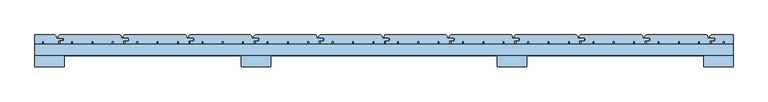
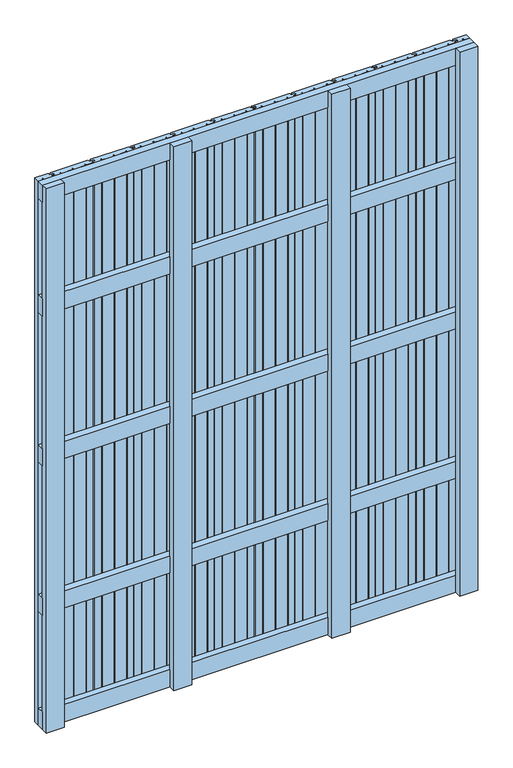
"""IFC4 building model written with IfcOpenShell, lengths in millimetres: window geometry."""

from ifc_helpers import new_model, si_unit, frame, origin, place, context, project, spatial, polyline, outline, extrude, source, transform, mapped, element, save


def window_f4db7b17(model_context):
    return source(origin(), model_context, "Body", "SweptSolid", [
        extrude(outline(polyline([(750.0, 148.0), (750.0, 124.0), (-750.0, 124.0), (-750.0, 148.0), (750.0, 148.0)])), frame((0.0, 0.0, 1618.5), z_axis=(0.0, 0.0, 1.0), x_axis=(1.0, 0.0, 0.0)), (0.0, 0.0, 1.0), 63.0),
        extrude(outline(polyline([(750.0, 148.0), (750.0, 124.0), (-750.0, 124.0), (-750.0, 148.0), (750.0, 148.0)])), frame((0.0, 0.0, 1068.5), z_axis=(0.0, 0.0, 1.0), x_axis=(1.0, 0.0, 0.0)), (0.0, 0.0, 1.0), 63.0),
        extrude(outline(polyline([(750.0, 148.0), (750.0, 124.0), (-750.0, 124.0), (-750.0, 148.0), (750.0, 148.0)])), frame((0.0, 0.0, 518.5), z_axis=(0.0, 0.0, 1.0), x_axis=(1.0, 0.0, 0.0)), (0.0, 0.0, 1.0), 63.0),
        extrude(outline(polyline([(750.0, 148.0), (750.0, 124.0), (-750.0, 124.0), (-750.0, 148.0), (750.0, 148.0)])), frame((0.0, 0.0, 2037.0), z_axis=(0.0, 0.0, 1.0), x_axis=(1.0, 0.0, 0.0)), (0.0, 0.0, 1.0), 63.0),
        extrude(outline(polyline([(750.0, 148.0), (750.0, 124.0), (-750.0, 124.0), (-750.0, 148.0), (750.0, 148.0)])), frame((0.0, 0.0, 100.0), z_axis=(0.0, 0.0, 1.0), x_axis=(1.0, 0.0, 0.0)), (0.0, 0.0, 1.0), 63.0),
        extrude(outline(polyline([(-697.0, 168.0), (-567.0, 168.0), (-564.0, 165.0), (-564.0, 161.0), (-550.0, 161.0), (-550.0, 155.0), (-560.0, 155.0), (-560.0, 148.0), (-581.1278597, 148.0), (-581.1278597, 154.0), (-584.6278597, 154.0), (-584.6278597, 148.0), (-624.6889298, 148.0), (-624.6889298, 154.0), (-628.1889298, 154.0), (-628.1889298, 148.0), (-668.25, 148.0), (-668.25, 154.0), (-671.75, 154.0), (-671.75, 148.0), (-696.0, 148.0), (-696.0, 155.0), (-688.0, 155.0), (-688.0, 161.0), (-700.0, 161.0), (-700.0, 165.0), (-697.0, 168.0)])), frame((0.0, 0.0, 100.0), z_axis=(0.0, 0.0, 1.0), x_axis=(1.0, 0.0, 0.0)), (0.0, 0.0, 1.0), 2000.0),
        extrude(outline(polyline([(-557.0, 168.0), (-427.0, 168.0), (-424.0, 165.0), (-424.0, 161.0), (-410.0, 161.0), (-410.0, 155.0), (-420.0, 155.0), (-420.0, 148.0), (-441.1278597, 148.0), (-441.1278597, 154.0), (-444.6278597, 154.0), (-444.6278597, 148.0), (-484.6889298, 148.0), (-484.6889298, 154.0), (-488.1889298, 154.0), (-488.1889298, 148.0), (-528.25, 148.0), (-528.25, 154.0), (-531.75, 154.0), (-531.75, 148.0), (-556.0, 148.0), (-556.0, 155.0), (-548.0, 155.0), (-548.0, 161.0), (-560.0, 161.0), (-560.0, 165.0), (-557.0, 168.0)])), frame((0.0, 0.0, 100.0), z_axis=(0.0, 0.0, 1.0), x_axis=(1.0, 0.0, 0.0)), (0.0, 0.0, 1.0), 2000.0),
        extrude(outline(polyline([(-417.0, 168.0), (-287.0, 168.0), (-284.0, 165.0), (-284.0, 161.0), (-270.0, 161.0), (-270.0, 155.0), (-280.0, 155.0), (-280.0, 148.0), (-301.1278597, 148.0), (-301.1278597, 154.0), (-304.6278597, 154.0), (-304.6278597, 148.0), (-344.6889298, 148.0), (-344.6889298, 154.0), (-348.1889298, 154.0), (-348.1889298, 148.0), (-388.25, 148.0), (-388.25, 154.0), (-391.75, 154.0), (-391.75, 148.0), (-416.0, 148.0), (-416.0, 155.0), (-408.0, 155.0), (-408.0, 161.0), (-420.0, 161.0), (-420.0, 165.0), (-417.0, 168.0)])), frame((0.0, 0.0, 100.0), z_axis=(0.0, 0.0, 1.0), x_axis=(1.0, 0.0, 0.0)), (0.0, 0.0, 1.0), 2000.0),
        extrude(outline(polyline([(-277.0, 168.0), (-147.0, 168.0), (-144.0, 165.0), (-144.0, 161.0), (-130.0, 161.0), (-130.0, 155.0), (-140.0, 155.0), (-140.0, 148.0), (-161.1278597, 148.0), (-161.1278597, 154.0), (-164.6278597, 154.0), (-164.6278597, 148.0), (-204.6889298, 148.0), (-204.6889298, 154.0), (-208.1889298, 154.0), (-208.1889298, 148.0), (-248.25, 148.0), (-248.25, 154.0), (-251.75, 154.0), (-251.75, 148.0), (-276.0, 148.0), (-276.0, 155.0), (-268.0, 155.0), (-268.0, 161.0), (-280.0, 161.0), (-280.0, 165.0), (-277.0, 168.0)])), frame((0.0, 0.0, 100.0), z_axis=(0.0, 0.0, 1.0), x_axis=(1.0, 0.0, 0.0)), (0.0, 0.0, 1.0), 2000.0),
        extrude(outline(polyline([(-137.0, 168.0), (-7.0, 168.0), (-4.0, 165.0), (-4.0, 161.0), (10.0, 161.0), (10.0, 155.0), (0.0, 155.0), (0.0, 148.0), (-21.1278597, 148.0), (-21.1278597, 154.0), (-24.6278597, 154.0), (-24.6278597, 148.0), (-64.6889298, 148.0), (-64.6889298, 154.0), (-68.1889298, 154.0), (-68.1889298, 148.0), (-108.25, 148.0), (-108.25, 154.0), (-111.75, 154.0), (-111.75, 148.0), (-136.0, 148.0), (-136.0, 155.0), (-128.0, 155.0), (-128.0, 161.0), (-140.0, 161.0), (-140.0, 165.0), (-137.0, 168.0)])), frame((0.0, 0.0, 100.0), z_axis=(0.0, 0.0, 1.0), x_axis=(1.0, 0.0, 0.0)), (0.0, 0.0, 1.0), 2000.0),
        extrude(outline(polyline([(3.0, 168.0), (133.0, 168.0), (136.0, 165.0), (136.0, 161.0), (150.0, 161.0), (150.0, 155.0), (140.0, 155.0), (140.0, 148.0), (118.8721403, 148.0), (118.8721403, 154.0), (115.3721403, 154.0), (115.3721403, 148.0), (75.3110702, 148.0), (75.3110702, 154.0), (71.8110702, 154.0), (71.8110702, 148.0), (31.75, 148.0), (31.75, 154.0), (28.25, 154.0), (28.25, 148.0), (4.0, 148.0), (4.0, 155.0), (12.0, 155.0), (12.0, 161.0), (0.0, 161.0), (0.0, 165.0), (3.0, 168.0)])), frame((0.0, 0.0, 100.0), z_axis=(0.0, 0.0, 1.0), x_axis=(1.0, 0.0, 0.0)), (0.0, 0.0, 1.0), 2000.0),
        extrude(outline(polyline([(143.0, 168.0), (273.0, 168.0), (276.0, 165.0), (276.0, 161.0), (290.0, 161.0), (290.0, 155.0), (280.0, 155.0), (280.0, 148.0), (258.8721403, 148.0), (258.8721403, 154.0), (255.3721403, 154.0), (255.3721403, 148.0), (215.3110702, 148.0), (215.3110702, 154.0), (211.8110702, 154.0), (211.8110702, 148.0), (171.75, 148.0), (171.75, 154.0), (168.25, 154.0), (168.25, 148.0), (144.0, 148.0), (144.0, 155.0), (152.0, 155.0), (152.0, 161.0), (140.0, 161.0), (140.0, 165.0), (143.0, 168.0)])), frame((0.0, 0.0, 100.0), z_axis=(0.0, 0.0, 1.0), x_axis=(1.0, 0.0, 0.0)), (0.0, 0.0, 1.0), 2000.0),
        extrude(outline(polyline([(283.0, 168.0), (413.0, 168.0), (416.0, 165.0), (416.0, 161.0), (430.0, 161.0), (430.0, 155.0), (420.0, 155.0), (420.0, 148.0), (398.8721403, 148.0), (398.8721403, 154.0), (395.3721403, 154.0), (395.3721403, 148.0), (355.3110702, 148.0), (355.3110702, 154.0), (351.8110702, 154.0), (351.8110702, 148.0), (311.75, 148.0), (311.75, 154.0), (308.25, 154.0), (308.25, 148.0), (284.0, 148.0), (284.0, 155.0), (292.0, 155.0), (292.0, 161.0), (280.0, 161.0), (280.0, 165.0), (283.0, 168.0)])), frame((0.0, 0.0, 100.0), z_axis=(0.0, 0.0, 1.0), x_axis=(1.0, 0.0, 0.0)), (0.0, 0.0, 1.0), 2000.0),
        extrude(outline(polyline([(423.0, 168.0), (553.0, 168.0), (556.0, 165.0), (556.0, 161.0), (570.0, 161.0), (570.0, 155.0), (560.0, 155.0), (560.0, 148.0), (538.8721403, 148.0), (538.8721403, 154.0), (535.3721403, 154.0), (535.3721403, 148.0), (495.3110702, 148.0), (495.3110702, 154.0), (491.8110702, 154.0), (491.8110702, 148.0), (451.75, 148.0), (451.75, 154.0), (448.25, 154.0), (448.25, 148.0), (424.0, 148.0), (424.0, 155.0), (432.0, 155.0), (432.0, 161.0), (420.0, 161.0), (420.0, 165.0), (423.0, 168.0)])), frame((0.0, 0.0, 100.0), z_axis=(0.0, 0.0, 1.0), x_axis=(1.0, 0.0, 0.0)), (0.0, 0.0, 1.0), 2000.0),
        extrude(outline(polyline([(563.0, 168.0), (693.0, 168.0), (696.0, 165.0), (696.0, 161.0), (710.0, 161.0), (710.0, 155.0), (700.0, 155.0), (700.0, 148.0), (678.8721403, 148.0), (678.8721403, 154.0), (675.3721403, 154.0), (675.3721403, 148.0), (635.3110702, 148.0), (635.3110702, 154.0), (631.8110702, 154.0), (631.8110702, 148.0), (591.75, 148.0), (591.75, 154.0), (588.25, 154.0), (588.25, 148.0), (564.0, 148.0), (564.0, 155.0), (572.0, 155.0), (572.0, 161.0), (560.0, 161.0), (560.0, 165.0), (563.0, 168.0)])), frame((0.0, 0.0, 100.0), z_axis=(0.0, 0.0, 1.0), x_axis=(1.0, 0.0, 0.0)), (0.0, 0.0, 1.0), 2000.0),
        extrude(outline(polyline([(-750.0, 168.0), (-707.0, 168.0), (-704.0, 165.0), (-704.0, 161.0), (-690.0, 161.0), (-690.0, 155.0), (-700.0, 155.0), (-700.0, 148.0), (-731.1278597, 148.0), (-731.1278597, 154.0), (-734.6278597, 154.0), (-734.6278597, 148.0), (-750.0, 148.0), (-750.0, 168.0)])), frame((0.0, 0.0, 100.0), z_axis=(0.0, 0.0, 1.0), x_axis=(1.0, 0.0, 0.0)), (0.0, 0.0, 1.0), 2000.0),
        extrude(outline(polyline([(703.0, 168.0), (750.0, 168.0), (750.0, 148.0), (731.75, 148.0), (731.75, 154.0), (728.25, 154.0), (728.25, 148.0), (704.0, 148.0), (704.0, 155.0), (712.0, 155.0), (712.0, 161.0), (700.0, 161.0), (700.0, 165.0), (703.0, 168.0)])), frame((0.0, 0.0, 100.0), z_axis=(0.0, 0.0, 1.0), x_axis=(1.0, 0.0, 0.0)), (0.0, 0.0, 1.0), 2000.0),
        extrude(outline(polyline([(-306.5, 124.0), (-243.5, 124.0), (-243.5, 100.0), (-306.5, 100.0), (-306.5, 124.0)])), frame((0.0, 0.0, 100.0), z_axis=(0.0, 0.0, 1.0), x_axis=(1.0, 0.0, 0.0)), (0.0, 0.0, 1.0), 2000.0),
        extrude(outline(polyline([(243.5, 124.0), (306.5, 124.0), (306.5, 100.0), (243.5, 100.0), (243.5, 124.0)])), frame((0.0, 0.0, 100.0), z_axis=(0.0, 0.0, 1.0), x_axis=(1.0, 0.0, 0.0)), (0.0, 0.0, 1.0), 2000.0),
        extrude(outline(polyline([(-750.0, 124.0), (-687.0, 124.0), (-687.0, 100.0), (-750.0, 100.0), (-750.0, 124.0)])), frame((0.0, 0.0, 100.0), z_axis=(0.0, 0.0, 1.0), x_axis=(1.0, 0.0, 0.0)), (0.0, 0.0, 1.0), 2000.0),
        extrude(outline(polyline([(687.0, 124.0), (750.0, 124.0), (750.0, 100.0), (687.0, 100.0), (687.0, 124.0)])), frame((0.0, 0.0, 100.0), z_axis=(0.0, 0.0, 1.0), x_axis=(1.0, 0.0, 0.0)), (0.0, 0.0, 1.0), 2000.0),
    ])


if __name__ == "__main__":
    model = new_model("IFC4")
    model_context = context("Model", 3, world=origin())
    ifc_project = project(units=[si_unit("LENGTHUNIT", "METRE", prefix="MILLI")], contexts=[model_context])
    site = spatial("IfcSite", under=ifc_project)
    building = spatial("IfcBuilding", under=site)
    placement = place(None, origin())
    window_shape = window_f4db7b17(model_context)
    element("IfcWindow", 1, at=placement, inside=building, context=model_context, shape_type="MappedRepresentation", body=[
        mapped(window_shape, transform((0.0, 0.0, 0.0), x_axis=(1.0, 0.0, 0.0), y_axis=(0.0, 1.0, 0.0), z_axis=(0.0, 0.0, 1.0))),
    ])
    save(model, "model.ifc")
